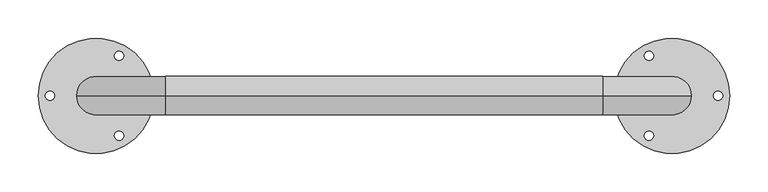
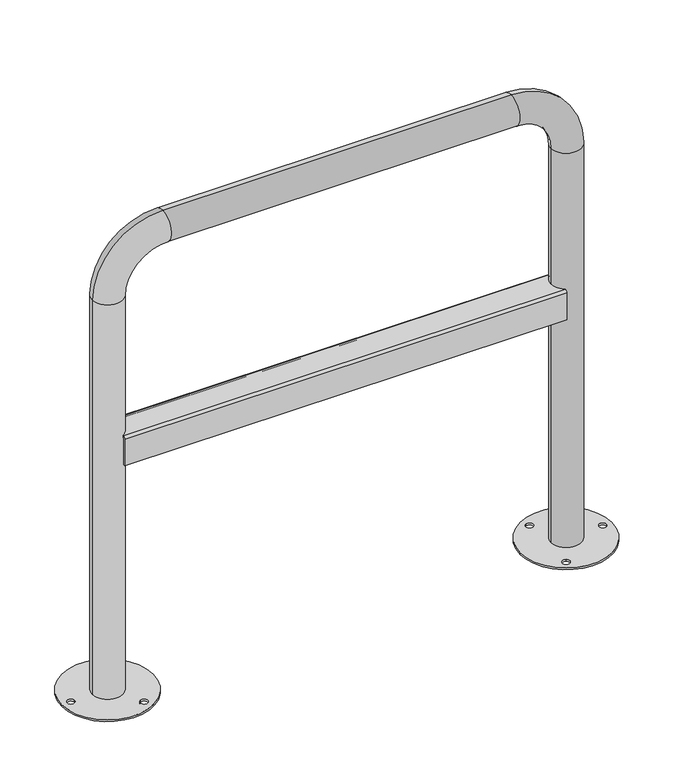
"""IFC4 building model written with IfcOpenShell, lengths in millimetres: proxy geometry."""

from ifc_helpers import new_model, si_unit, point, frame, frame_2d, origin, origin_with_axes, place, context, project, spatial, polyline, circle_curve, ellipse_curve, trimmed, segment, composite_curve, outline, extrude, source, transform, mapped, element, save
from ifc_brep_helpers import plane_surface, cylinder_surface, revolved_surface, advanced_brep


def parking_988b0afd(model_context):
    return source(origin(), model_context, "Body", "SolidModel", [
        extrude(outline(composite_curve([segment(trimmed(circle_curve(frame_2d((375.0, 0.0)), 75.0), [point((450.0, 0.0))], [point((300.0, 0.0))], False, "CARTESIAN"), True, "CONTINUOUS"), segment(trimmed(circle_curve(frame_2d((375.0, 0.0)), 75.0), [point((300.0, 0.0))], [point((450.0, 0.0))], False, "CARTESIAN"), True, "CONTINUOUS")], self_intersect=False), holes=[composite_curve([segment(trimmed(circle_curve(frame_2d((434.9726521, 0.0)), 6.0), [point((440.9726521, 0.0))], [point((428.9726521, 0.0))], True, "CARTESIAN"), True, "CONTINUOUS"), segment(trimmed(circle_curve(frame_2d((434.9726521, 0.0)), 6.0), [point((428.9726521, 0.0))], [point((440.9726521, 0.0))], True, "CARTESIAN"), True, "CONTINUOUS")], self_intersect=False), composite_curve([segment(trimmed(circle_curve(frame_2d((345.013674, 51.9378403)), 6.0), [point((342.013674, 57.1339927))], [point((348.013674, 46.7416878))], True, "CARTESIAN"), True, "CONTINUOUS"), segment(trimmed(circle_curve(frame_2d((345.013674, 51.9378403)), 6.0), [point((348.013674, 46.7416878))], [point((342.013674, 57.1339927))], True, "CARTESIAN"), True, "CONTINUOUS")], self_intersect=False), composite_curve([segment(trimmed(circle_curve(frame_2d((345.013674, -51.9378403)), 6.0), [point((342.013674, -57.1339927))], [point((348.013674, -46.7416878))], True, "CARTESIAN"), True, "CONTINUOUS"), segment(trimmed(circle_curve(frame_2d((345.013674, -51.9378403)), 6.0), [point((348.013674, -46.7416878))], [point((342.013674, -57.1339927))], True, "CARTESIAN"), True, "CONTINUOUS")], self_intersect=False)]), origin_with_axes(), (0.0, 0.0, 1.0), 3.0),
        extrude(outline(composite_curve([segment(trimmed(circle_curve(frame_2d((-375.0, 0.0)), 75.0), [point((-450.0, 0.0))], [point((-300.0, 0.0))], False, "CARTESIAN"), True, "CONTINUOUS"), segment(trimmed(circle_curve(frame_2d((-375.0, 0.0)), 75.0), [point((-300.0, 0.0))], [point((-450.0, 0.0))], False, "CARTESIAN"), True, "CONTINUOUS")], self_intersect=False), holes=[composite_curve([segment(trimmed(circle_curve(frame_2d((-434.9726521, 0.0)), 6.0), [point((-440.9726521, 0.0))], [point((-428.9726521, 0.0))], True, "CARTESIAN"), True, "CONTINUOUS"), segment(trimmed(circle_curve(frame_2d((-434.9726521, 0.0)), 6.0), [point((-428.9726521, 0.0))], [point((-440.9726521, 0.0))], True, "CARTESIAN"), True, "CONTINUOUS")], self_intersect=False), composite_curve([segment(trimmed(circle_curve(frame_2d((-345.013674, 51.9378403)), 6.0), [point((-342.013674, 57.1339927))], [point((-348.013674, 46.7416878))], True, "CARTESIAN"), True, "CONTINUOUS"), segment(trimmed(circle_curve(frame_2d((-345.013674, 51.9378403)), 6.0), [point((-348.013674, 46.7416878))], [point((-342.013674, 57.1339927))], True, "CARTESIAN"), True, "CONTINUOUS")], self_intersect=False), composite_curve([segment(trimmed(circle_curve(frame_2d((-345.013674, -51.9378403)), 6.0), [point((-342.013674, -57.1339927))], [point((-348.013674, -46.7416878))], True, "CARTESIAN"), True, "CONTINUOUS"), segment(trimmed(circle_curve(frame_2d((-345.013674, -51.9378403)), 6.0), [point((-348.013674, -46.7416878))], [point((-342.013674, -57.1339927))], True, "CARTESIAN"), True, "CONTINUOUS")], self_intersect=False)]), origin_with_axes(), (0.0, 0.0, 1.0), 3.0),
        extrude(outline(composite_curve([segment(polyline([(25.0, 446.0), (25.0, 400.0), (22.0, 400.0), (22.0, 446.0)]), True, "CONTINUOUS"), segment(trimmed(circle_curve(frame_2d((21.0, 446.0)), 1.0), [point((22.0, 446.0))], [point((21.0, 447.0))], True, "CARTESIAN"), True, "CONTINUOUS"), segment(polyline([(21.0, 447.0), (-21.0, 447.0)]), True, "CONTINUOUS"), segment(trimmed(circle_curve(frame_2d((-21.0, 446.0)), 1.0), [point((-21.0, 447.0))], [point((-22.0, 446.0))], True, "CARTESIAN"), True, "CONTINUOUS"), segment(polyline([(-22.0, 446.0), (-22.0, 400.0), (-25.0, 400.0), (-25.0, 446.0)]), True, "CONTINUOUS"), segment(trimmed(circle_curve(frame_2d((-21.0, 446.0)), 4.0), [point((-25.0, 446.0))], [point((-21.0, 450.0))], False, "CARTESIAN"), True, "CONTINUOUS"), segment(polyline([(-21.0, 450.0), (21.0, 450.0)]), True, "CONTINUOUS"), segment(trimmed(circle_curve(frame_2d((21.0, 446.0)), 4.0), [point((21.0, 450.0))], [point((25.0, 446.0))], False, "CARTESIAN"), True, "CONTINUOUS")], self_intersect=False)), frame((-361.43534, 0.0, 0.0), z_axis=(1.0, 0.0, 0.0), x_axis=(0.0, 1.0, 0.0)), (0.0, 0.0, 1.0), 722.8706801),
        advanced_brep(
        [(-400.0, 0.0, 3.0), (-350.0, 0.0, 3.0), (-400.0, 0.0, 685.0), (-350.0, 0.0, 685.0), (-285.0, 0.0, 750.0), (-285.0, 0.0, 800.0), (285.0, 0.0, 800.0), (285.0, 0.0, 750.0), (350.0, 0.0, 685.0), (400.0, 0.0, 685.0), (400.0, 0.0, 3.0), (350.0, 0.0, 3.0)],
        [
            (0, 1, circle_curve(frame((-375.0, 0.0, 3.0), z_axis=(0.0, 0.0, -1.0), x_axis=(1.0, 0.0, 0.0)), 25.0)),
            (1, 0, circle_curve(frame((-375.0, 0.0, 3.0), z_axis=(0.0, 0.0, -1.0), x_axis=(1.0, 0.0, 0.0)), 25.0)),
            (0, 2),
            (2, 3, circle_curve(frame((-375.0, 0.0, 685.0), z_axis=(0.0, 0.0, -1.0), x_axis=(1.0, 0.0, 0.0)), 25.0)),
            (3, 1),
            (3, 2, circle_curve(frame((-375.0, 0.0, 685.0), z_axis=(0.0, 0.0, -1.0), x_axis=(1.0, 0.0, 0.0)), 25.0)),
            (4, 3, circle_curve(frame((-285.0, 0.0, 685.0), z_axis=(0.0, -1.0, 0.0), x_axis=(-1.0, 0.0, 0.0)), 65.0)),
            (2, 5, circle_curve(frame((-285.0, 0.0, 685.0), z_axis=(0.0, 1.0, 0.0), x_axis=(-1.0, 0.0, 0.0)), 115.0)),
            (5, 4, circle_curve(frame((-285.0, 0.0, 775.0), z_axis=(-1.0, 0.0, 0.0), x_axis=(0.0, 0.0, -1.0)), 25.0)),
            (4, 5, circle_curve(frame((-285.0, 0.0, 775.0), z_axis=(-1.0, 0.0, 0.0), x_axis=(0.0, 0.0, -1.0)), 25.0)),
            (5, 6),
            (6, 7, circle_curve(frame((285.0, 0.0, 775.0), z_axis=(-1.0, 0.0, 0.0), x_axis=(0.0, 0.0, -1.0)), 25.0)),
            (7, 4),
            (7, 6, circle_curve(frame((285.0, 0.0, 775.0), z_axis=(-1.0, 0.0, 0.0), x_axis=(0.0, 0.0, -1.0)), 25.0)),
            (8, 7, circle_curve(frame((285.0, 0.0, 685.0), z_axis=(0.0, -1.0, 0.0), x_axis=(0.0, 0.0, 1.0)), 65.0)),
            (6, 9, circle_curve(frame((285.0, 0.0, 685.0), z_axis=(0.0, 1.0, 0.0), x_axis=(0.0, 0.0, 1.0)), 115.0)),
            (9, 8, circle_curve(frame((375.0, 0.0, 685.0), z_axis=(0.0, 0.0, 1.0), x_axis=(-1.0, 0.0, 0.0)), 25.0)),
            (8, 9, circle_curve(frame((375.0, 0.0, 685.0), z_axis=(0.0, 0.0, 1.0), x_axis=(-1.0, 0.0, 0.0)), 25.0)),
            (10, 11, circle_curve(frame((375.0, 0.0, 3.0), z_axis=(0.0, 0.0, -1.0), x_axis=(-1.0, 0.0, 0.0)), 25.0)),
            (11, 10, circle_curve(frame((375.0, 0.0, 3.0), z_axis=(0.0, 0.0, -1.0), x_axis=(-1.0, 0.0, 0.0)), 25.0)),
            (9, 10),
            (11, 8),
        ],
        [
            plane_surface(frame((-375.0, 0.0, 3.0), z_axis=(0.0, 0.0, -1.0), x_axis=(0.0, -1.0, 0.0))),
            cylinder_surface(frame((-375.0, 0.0, 3.0), z_axis=(0.0, 0.0, -1.0), x_axis=(1.0, 0.0, 0.0)), 25.0),
            revolved_surface(trimmed(ellipse_curve(frame((-375.0, 0.0, 685.0), z_axis=(0.0, 0.0, -1.0), x_axis=(1.0, 0.0, 0.0)), 25.0, 25.0), [point((-400.0, 0.0, 685.0))], [point((-350.0, 0.0, 685.0))], True, "CARTESIAN"), (-285.0, 0.0, 685.0), (0.0, 1.0, 0.0)),
            revolved_surface(trimmed(ellipse_curve(frame((-375.0, 0.0, 685.0), z_axis=(0.0, 0.0, -1.0), x_axis=(1.0, 0.0, 0.0)), 25.0, 25.0), [point((-350.0, 0.0, 685.0))], [point((-400.0, 0.0, 685.0))], True, "CARTESIAN"), (-285.0, 0.0, 685.0), (0.0, 1.0, 0.0)),
            cylinder_surface(frame((-285.0, 0.0, 775.0), z_axis=(-1.0, 0.0, 0.0), x_axis=(0.0, 0.0, -1.0)), 25.0),
            revolved_surface(trimmed(ellipse_curve(frame((285.0, 0.0, 775.0), z_axis=(-1.0, 0.0, 0.0), x_axis=(0.0, 0.0, -1.0)), 25.0, 25.0), [point((285.0, 0.0, 800.0))], [point((285.0, 0.0, 750.0))], True, "CARTESIAN"), (285.0, 0.0, 685.0), (0.0, 1.0, 0.0)),
            revolved_surface(trimmed(ellipse_curve(frame((285.0, 0.0, 775.0), z_axis=(-1.0, 0.0, 0.0), x_axis=(0.0, 0.0, -1.0)), 25.0, 25.0), [point((285.0, 0.0, 750.0))], [point((285.0, 0.0, 800.0))], True, "CARTESIAN"), (285.0, 0.0, 685.0), (0.0, 1.0, 0.0)),
            plane_surface(frame((375.0, 0.0, 3.0), z_axis=(0.0, 0.0, -1.0), x_axis=(0.0, -1.0, 0.0))),
            cylinder_surface(frame((375.0, 0.0, 685.0), z_axis=(0.0, 0.0, 1.0), x_axis=(-1.0, 0.0, 0.0)), 25.0),
        ],
        [
            (0, [[1, 2]]),
            (1, [[-1, 3, 4, 5]]),
            (1, [[-2, -5, 6, -3]]),
            (2, [[7, -4, 8, 9]]),
            (3, [[-8, -6, -7, 10]]),
            (4, [[-9, 11, 12, 13]]),
            (4, [[-10, -13, 14, -11]]),
            (5, [[15, -12, 16, 17]]),
            (6, [[-16, -14, -15, 18]]),
            (7, [[19, 20]]),
            (8, [[-17, 21, -20, 22]]),
            (8, [[-18, -22, -19, -21]]),
        ],
    ),
    ])


if __name__ == "__main__":
    model = new_model("IFC4")
    model_context = context("Model", 3, world=origin())
    ifc_project = project(units=[si_unit("LENGTHUNIT", "METRE", prefix="MILLI")], contexts=[model_context])
    site = spatial("IfcSite", under=ifc_project)
    building = spatial("IfcBuilding", under=site)
    placement = place(None, origin())
    parking_shape = parking_988b0afd(model_context)
    element("IfcBuildingElementProxy", 1, Name="Parking", at=placement, inside=building, context=model_context, shape_type="MappedRepresentation", body=[
        mapped(parking_shape, transform((0.0, 0.0, 0.0), x_axis=(1.0, 0.0, 0.0), y_axis=(0.0, 1.0, 0.0), z_axis=(0.0, 0.0, 1.0))),
    ])
    save(model, "model.ifc")
